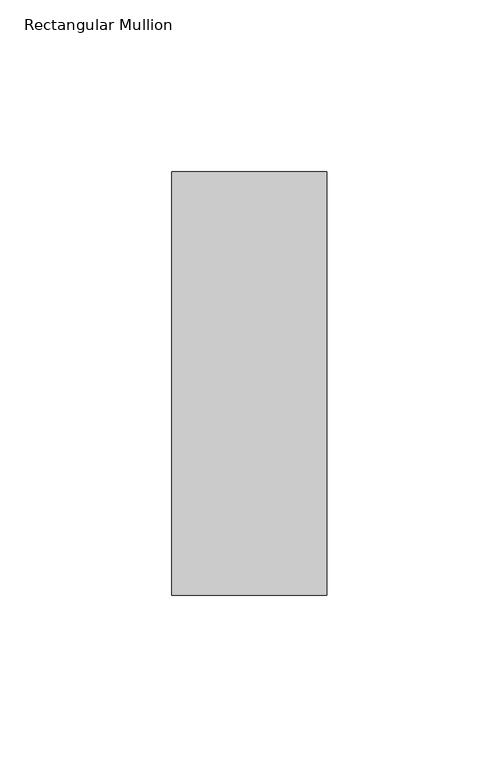
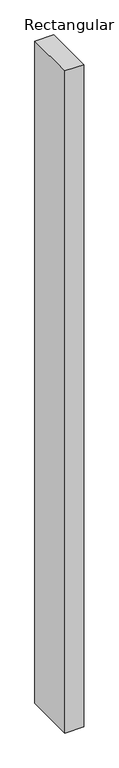
"""IFC4 building model written with IfcOpenShell, lengths in millimetres: member geometry, Rectangular Mullion."""

from ifc_helpers import new_model, si_unit, frame, origin, place, context, project, spatial, polyline, outline, extrude, source, transform, mapped, element, save


def rectangular_mullion_e1a83836(model_context):
    return source(origin(), model_context, "Body", "SweptSolid", [
        extrude(outline(polyline([(22.5, 77.05), (22.5, -46.05), (-22.5, -46.05), (-22.5, 77.05), (22.5, 77.05)])), frame((0.0, 0.0, -1660.8004863), z_axis=(0.0, 0.0, 1.0), x_axis=(1.0, 0.0, 0.0)), (0.0, 0.0, 1.0), 1660.8004863),
    ])


if __name__ == "__main__":
    model = new_model("IFC4")
    model_context = context("Model", 3, world=origin())
    ifc_project = project(units=[si_unit("LENGTHUNIT", "METRE", prefix="MILLI")], contexts=[model_context])
    site = spatial("IfcSite", under=ifc_project)
    building = spatial("IfcBuilding", under=site)
    placement = place(None, origin())
    rectangular_mullion_shape = rectangular_mullion_e1a83836(model_context)
    element("IfcMember", 1, ObjectType="Rectangular Mullion", at=placement, inside=building, context=model_context, shape_type="MappedRepresentation", body=[
        mapped(rectangular_mullion_shape, transform((0.0, 0.0, 0.0), x_axis=(1.0, 0.0, 0.0), y_axis=(0.0, 1.0, 0.0), z_axis=(0.0, 0.0, 1.0))),
    ])
    save(model, "model.ifc")
